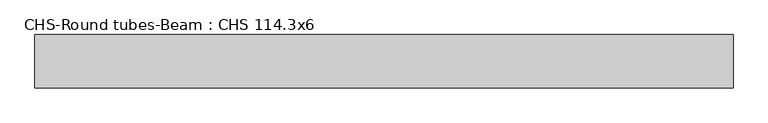
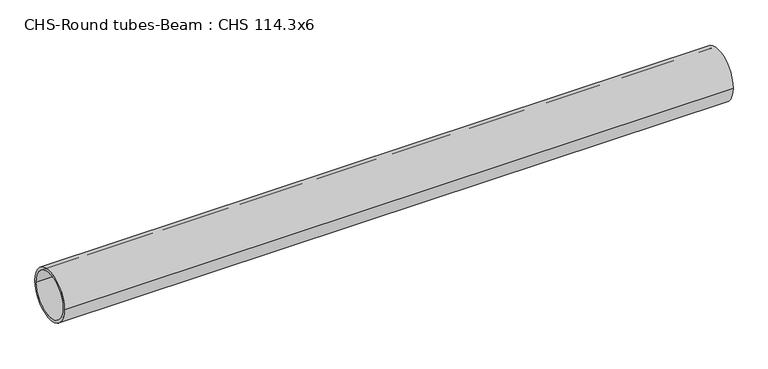
"""IFC4 building model written with IfcOpenShell, lengths in millimetres: beam geometry, CHS-Round tubes-Beam : CHS 114.3x6."""

from ifc_helpers import new_model, si_unit, point, frame, origin, origin_2d, place, context, project, spatial, circle_curve, trimmed, segment, composite_curve, outline, extrude, source, transform, mapped, element, save


def chs_round_tubes_beam_chs_114_3x6_198681b1(model_context):
    return source(origin(), model_context, "Body", "SweptSolid", [
        extrude(outline(composite_curve([segment(trimmed(circle_curve(origin_2d(), 57.15), [point((57.15, 0.0))], [point((-57.15, 0.0))], False, "CARTESIAN"), True, "CONTINUOUS"), segment(trimmed(circle_curve(origin_2d(), 57.15), [point((-57.15, 0.0))], [point((57.15, 0.0))], False, "CARTESIAN"), True, "CONTINUOUS")], self_intersect=False), holes=[composite_curve([segment(trimmed(circle_curve(origin_2d(), 51.15), [point((51.15, 0.0))], [point((-51.15, 0.0))], True, "CARTESIAN"), True, "CONTINUOUS"), segment(trimmed(circle_curve(origin_2d(), 51.15), [point((-51.15, 0.0))], [point((51.15, 0.0))], True, "CARTESIAN"), True, "CONTINUOUS")], self_intersect=False)]), frame((-763.9916239, 0.0, 0.0), z_axis=(1.0, 0.0, 0.0), x_axis=(0.0, 1.0, 0.0)), (0.0, 0.0, 1.0), 1499.7654888),
    ])


if __name__ == "__main__":
    model = new_model("IFC4")
    model_context = context("Model", 3, world=origin())
    ifc_project = project(units=[si_unit("LENGTHUNIT", "METRE", prefix="MILLI")], contexts=[model_context])
    site = spatial("IfcSite", under=ifc_project)
    building = spatial("IfcBuilding", under=site)
    placement = place(None, origin())
    chs_round_tubes_beam_chs_114_3x6_shape = chs_round_tubes_beam_chs_114_3x6_198681b1(model_context)
    element("IfcBeam", 1, ObjectType="CHS-Round tubes-Beam : CHS 114.3x6", at=placement, inside=building, context=model_context, shape_type="MappedRepresentation", body=[
        mapped(chs_round_tubes_beam_chs_114_3x6_shape, transform((0.0, 0.0, 0.0), x_axis=(1.0, 0.0, 0.0), y_axis=(0.0, 1.0, 0.0), z_axis=(0.0, 0.0, 1.0))),
    ])
    save(model, "model.ifc")
